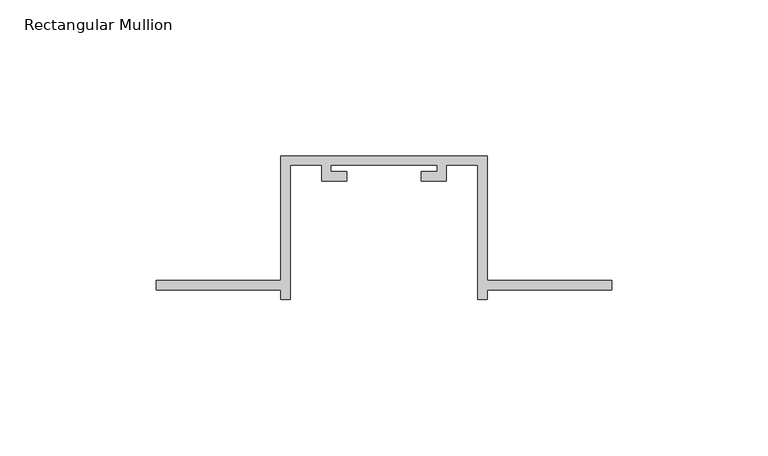
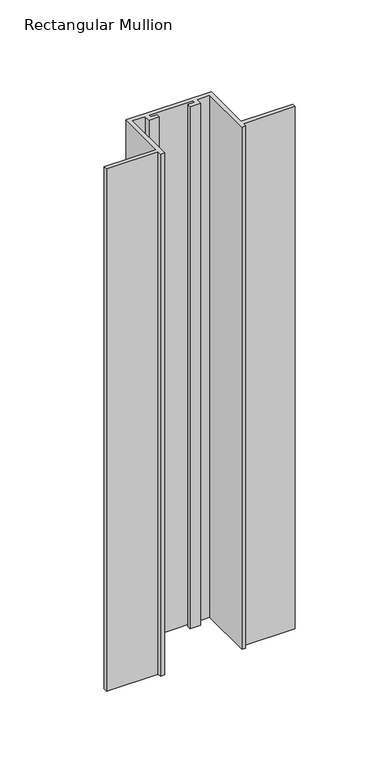
"""IFC4 building model written with IfcOpenShell, lengths in millimetres: member geometry, Rectangular Mullion."""

from ifc_helpers import new_model, si_unit, frame, origin, place, context, project, spatial, polyline, outline, extrude, source, transform, mapped, element, save


def rectangular_mullion_124c9465(model_context):
    return source(origin(), model_context, "Body", "SweptSolid", [
        extrude(outline(polyline([(-106.0, -132.0), (-146.0, -132.0), (-146.0, -129.0), (-106.0, -129.0), (-106.0, -89.0), (-40.0, -89.0), (-40.0, -129.0), (0.0, -129.0), (0.0, -132.0), (-40.0, -132.0), (-40.0, -135.0), (-43.0, -135.0), (-43.0, -92.0), (-53.0, -92.0), (-53.0, -97.0), (-61.0, -97.0), (-61.0, -94.0), (-56.0, -94.0), (-56.0, -92.0), (-90.0, -92.0), (-90.0, -94.0), (-85.0, -94.0), (-85.0, -97.0), (-93.0, -97.0), (-93.0, -92.0), (-103.0, -92.0), (-103.0, -135.0), (-106.0, -135.0), (-106.0, -132.0)])), frame((0.0, 0.0, -427.2026776), z_axis=(0.0, 0.0, 1.0), x_axis=(1.0, 0.0, 0.0)), (0.0, 0.0, 1.0), 427.2026776),
    ])


if __name__ == "__main__":
    model = new_model("IFC4")
    model_context = context("Model", 3, world=origin())
    ifc_project = project(units=[si_unit("LENGTHUNIT", "METRE", prefix="MILLI")], contexts=[model_context])
    site = spatial("IfcSite", under=ifc_project)
    building = spatial("IfcBuilding", under=site)
    placement = place(None, origin())
    rectangular_mullion_shape = rectangular_mullion_124c9465(model_context)
    element("IfcMember", 1, ObjectType="Rectangular Mullion", at=placement, inside=building, context=model_context, shape_type="MappedRepresentation", body=[
        mapped(rectangular_mullion_shape, transform((0.0, 0.0, 0.0), x_axis=(1.0, 0.0, 0.0), y_axis=(0.0, 1.0, 0.0), z_axis=(0.0, 0.0, 1.0))),
    ])
    save(model, "model.ifc")
